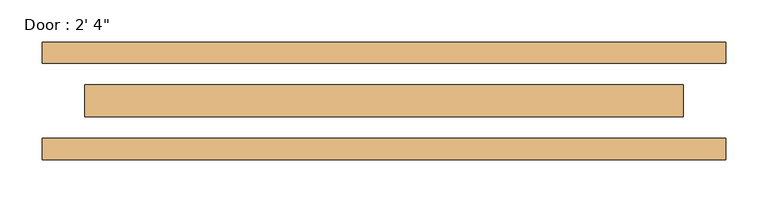
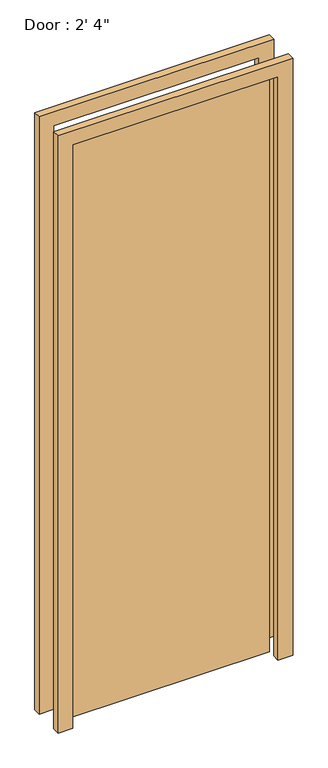
"""IFC4 building model written with IfcOpenShell, lengths in millimetres: door geometry."""

from ifc_helpers import new_model, si_unit, frame, origin, origin_with_axes, place, context, project, spatial, polyline, outline, extrude, source, transform, mapped, element, save


def door_e27feabe(model_context):
    return source(origin(), model_context, "Body", "SweptSolid", [
        extrude(outline(polyline([(-355.6, 19.05), (355.6, 19.05), (355.6, -19.05), (-355.6, -19.05), (-355.6, 19.05)])), origin_with_axes(), (0.0, 0.0, 1.0), 2133.6),
        extrude(outline(polyline([(2133.6, -355.6), (2133.6, 355.6), (0.0, 355.6), (0.0, 406.4), (2184.4, 406.4), (2184.4, -406.4), (0.0, -406.4), (0.0, -355.6), (2133.6, -355.6)])), frame((0.0, -69.85, 0.0), z_axis=(0.0, 1.0, 0.0), x_axis=(0.0, 0.0, 1.0)), (0.0, 0.0, 1.0), 25.4),
        extrude(outline(polyline([(2133.6, -355.6), (2133.6, 355.6), (0.0, 355.6), (0.0, 406.4), (2184.4, 406.4), (2184.4, -406.4), (0.0, -406.4), (0.0, -355.6), (2133.6, -355.6)])), frame((0.0, 44.45, 0.0), z_axis=(0.0, 1.0, 0.0), x_axis=(0.0, 0.0, 1.0)), (0.0, 0.0, 1.0), 25.4),
    ])


if __name__ == "__main__":
    model = new_model("IFC4")
    model_context = context("Model", 3, world=origin())
    ifc_project = project(units=[si_unit("LENGTHUNIT", "METRE", prefix="MILLI")], contexts=[model_context])
    site = spatial("IfcSite", under=ifc_project)
    building = spatial("IfcBuilding", under=site)
    placement = place(None, origin())
    door_shape = door_e27feabe(model_context)
    element("IfcDoor", 1, ObjectType="Door : 2' 4\"", at=placement, inside=building, context=model_context, shape_type="MappedRepresentation", body=[
        mapped(door_shape, transform((0.0, 0.0, 0.0), x_axis=(1.0, 0.0, 0.0), y_axis=(0.0, 1.0, 0.0), z_axis=(0.0, 0.0, 1.0))),
    ])
    save(model, "model.ifc")
